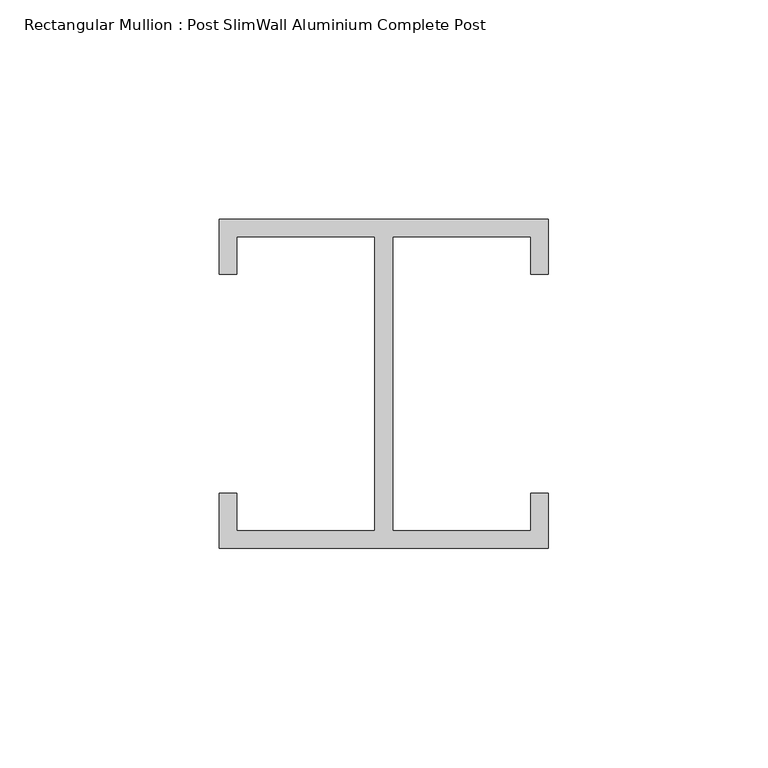
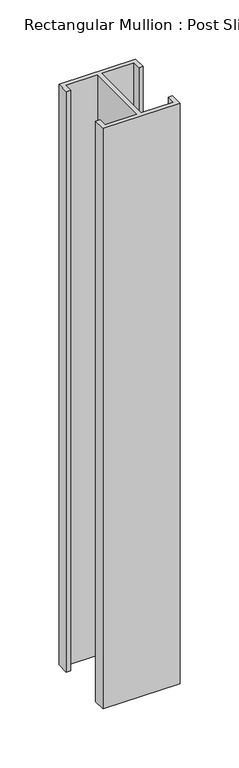
"""IFC4 building model written with IfcOpenShell, lengths in millimetres: member geometry, Rectangular Mullion : Post SlimWall Aluminium Complete Post."""

from ifc_helpers import new_model, si_unit, frame, origin, place, context, project, spatial, polyline, outline, extrude, source, transform, mapped, element, save


def rectangular_mullion_post_slimwall_aluminium_complete_post_7bc1c3d5(model_context):
    return source(origin(), model_context, "Body", "SweptSolid", [
        extrude(outline(polyline([(-4.0, 33.5), (-35.5, 33.5), (-35.5, -33.5), (-4.0, -33.5), (-4.0, -25.0), (0.0, -25.0), (0.0, -37.5), (-75.0, -37.5), (-75.0, -25.0), (-71.0, -25.0), (-71.0, -33.5), (-39.5, -33.5), (-39.5, 33.5), (-71.0, 33.5), (-71.0, 25.0), (-75.0, 25.0), (-75.0, 37.5), (0.0, 37.5), (0.0, 25.0), (-4.0, 25.0), (-4.0, 33.5)])), frame((0.0, 0.0, -600.0), z_axis=(0.0, 0.0, 1.0), x_axis=(1.0, 0.0, 0.0)), (0.0, 0.0, 1.0), 600.0),
    ])


if __name__ == "__main__":
    model = new_model("IFC4")
    model_context = context("Model", 3, world=origin())
    ifc_project = project(units=[si_unit("LENGTHUNIT", "METRE", prefix="MILLI")], contexts=[model_context])
    site = spatial("IfcSite", under=ifc_project)
    building = spatial("IfcBuilding", under=site)
    placement = place(None, origin())
    rectangular_mullion_post_slimwall_aluminium_complete_post_shape = rectangular_mullion_post_slimwall_aluminium_complete_post_7bc1c3d5(model_context)
    element("IfcMember", 1, ObjectType="Rectangular Mullion : Post SlimWall Aluminium Complete Post", at=placement, inside=building, context=model_context, shape_type="MappedRepresentation", body=[
        mapped(rectangular_mullion_post_slimwall_aluminium_complete_post_shape, transform((0.0, 0.0, 0.0), x_axis=(1.0, 0.0, 0.0), y_axis=(0.0, 1.0, 0.0), z_axis=(0.0, 0.0, 1.0))),
    ])
    save(model, "model.ifc")
